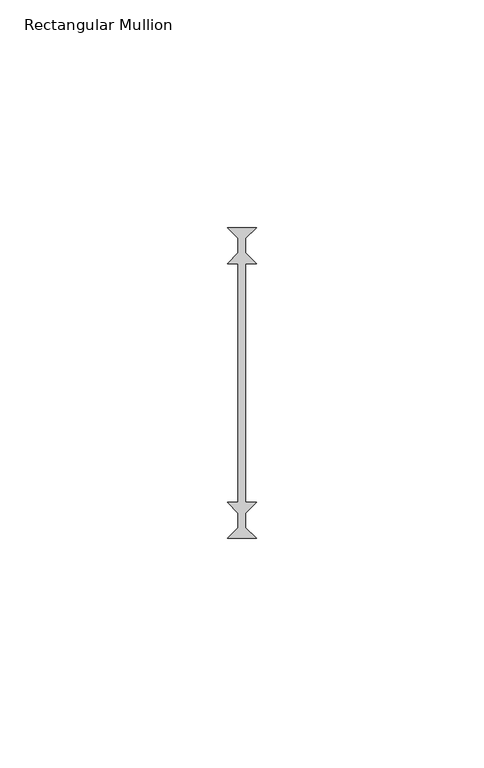
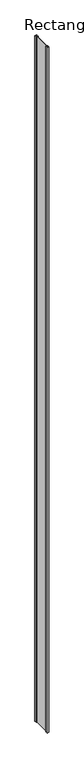
"""IFC4 building model written with IfcOpenShell, lengths in millimetres: member geometry, Rectangular Mullion."""

from ifc_helpers import new_model, si_unit, frame, origin, place, context, project, spatial, polyline, outline, extrude, source, transform, mapped, element, save


def rectangular_mullion_27460f49(model_context):
    return source(origin(), model_context, "Body", "SweptSolid", [
        extrude(outline(polyline([(3.175, 34.13125), (0.79375, 31.75), (0.79375, 28.575), (3.175, 26.19375), (0.79375, 26.19375), (0.79375, -26.19375), (3.175, -26.19375), (0.79375, -28.575), (0.79375, -31.75), (3.175, -34.13125), (-3.175, -34.13125), (-0.79375, -31.75), (-0.79375, -28.575), (-3.175, -26.19375), (-0.79375, -26.19375), (-0.79375, 26.19375), (-3.175, 26.19375), (-0.79375, 28.575), (-0.79375, 31.75), (-3.175, 34.13125), (3.175, 34.13125)])), frame((0.0, 0.0, -2359.025), z_axis=(0.0, 0.0, 1.0), x_axis=(1.0, 0.0, 0.0)), (0.0, 0.0, 1.0), 2359.025),
    ])


if __name__ == "__main__":
    model = new_model("IFC4")
    model_context = context("Model", 3, world=origin())
    ifc_project = project(units=[si_unit("LENGTHUNIT", "METRE", prefix="MILLI")], contexts=[model_context])
    site = spatial("IfcSite", under=ifc_project)
    building = spatial("IfcBuilding", under=site)
    placement = place(None, origin())
    rectangular_mullion_shape = rectangular_mullion_27460f49(model_context)
    element("IfcMember", 1, ObjectType="Rectangular Mullion", at=placement, inside=building, context=model_context, shape_type="MappedRepresentation", body=[
        mapped(rectangular_mullion_shape, transform((0.0, 0.0, 0.0), x_axis=(1.0, 0.0, 0.0), y_axis=(0.0, 1.0, 0.0), z_axis=(0.0, 0.0, 1.0))),
    ])
    save(model, "model.ifc")
